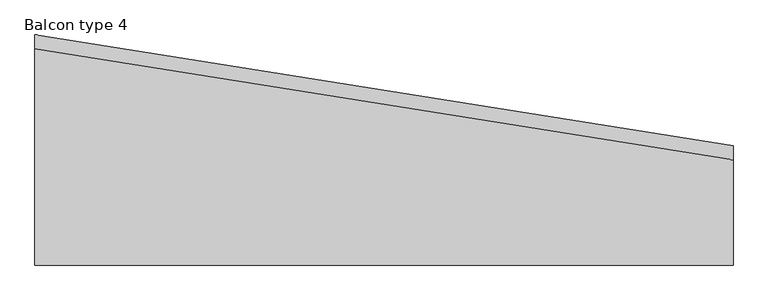
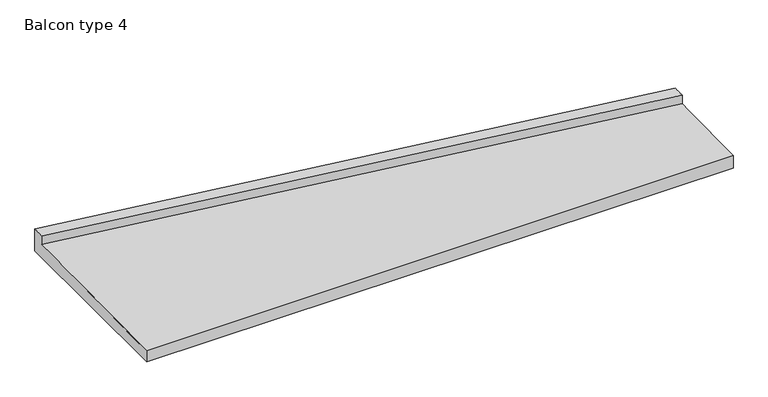
"""IFC4 building model written with IfcOpenShell, lengths in millimetres: proxy geometry, Balcon type 4."""

import ifcopenshell
import ifcopenshell.guid

model = None  # the IFC model being written
_history = None  # IfcOwnerHistory: only IFC2X3 demands one
_inside = {}  # id of a spatial element -> (the spatial element, [elements in it])
_under = {}  # id of a project, library or spatial element -> (it, [spatial elements below it])
_declared = {}  # id of a project -> (the project, [libraries it declares])
_typed = {}  # id of a type object -> (the type object, [elements of that type])
_made_of = {}  # id of a material, layer set ... -> (it, [elements and type objects made of it])


def new_model(schema):
    """Start an empty IFC model of exactly this schema.

    Asked for "IFC4X3", IfcOpenShell would pick the latest addendum, in which some entities
    have other attributes; the version numbers below select the first issue.
    IFC2X3 requires an IfcOwnerHistory on every rooted entity: one is made here for all.
    """
    global model, _history
    if schema == "IFC4X3":
        model = ifcopenshell.file(schema_version=(4, 3, 0, 0))
    else:
        model = ifcopenshell.file(schema=schema)
    _inside.clear()
    _under.clear()
    _declared.clear()
    _typed.clear()
    _made_of.clear()
    _history = None
    if model.schema == "IFC2X3":
        org = make("IfcOrganization", Name="unknown")
        user = make(
            "IfcPersonAndOrganization",
            ThePerson=make("IfcPerson", FamilyName="unknown"),
            TheOrganization=org,
        )
        app = make(
            "IfcApplication",
            ApplicationDeveloper=org,
            Version="unknown",
            ApplicationFullName="unknown",
            ApplicationIdentifier="unknown",
        )
        _history = make(
            "IfcOwnerHistory",
            OwningUser=user,
            OwningApplication=app,
            ChangeAction="ADDED",
            CreationDate=0,
        )
    return model


def make(cls, **values):
    """One entity of the class cls with the attributes given. An attribute that is None is left unset."""
    return model.create_entity(
        cls, **{name: value for name, value in values.items() if value is not None}
    )


def rooted(cls, **values):
    """An entity with a GlobalId (a new one), such as an element, a storey or a relation."""
    return make(cls, GlobalId=ifcopenshell.guid.new(), OwnerHistory=_history, **values)


def si_unit(unit_type, name, prefix=None):
    """IfcSIUnit, for example si_unit("LENGTHUNIT", "METRE", prefix="MILLI")."""
    return make("IfcSIUnit", UnitType=unit_type, Prefix=prefix, Name=name)


def assignment(units):
    """IfcUnitAssignment: the units of a project."""
    return None if units is None else make("IfcUnitAssignment", Units=units)


def point(xyz):
    """IfcCartesianPoint."""
    return None if xyz is None else make("IfcCartesianPoint", Coordinates=xyz)


def direction(xyz):
    """IfcDirection."""
    return None if xyz is None else make("IfcDirection", DirectionRatios=xyz)


def frame(location, z_axis=None, x_axis=None):
    """IfcAxis2Placement3D, a coordinate frame: its origin and axes. An axis left out is left unset."""
    return make(
        "IfcAxis2Placement3D",
        Location=point(location),
        Axis=direction(z_axis),
        RefDirection=direction(x_axis),
    )


def origin():
    """The frame at (0, 0, 0) with its axes left unset."""
    return frame((0.0, 0.0, 0.0))


def place(relative_to, where):
    """IfcLocalPlacement: puts the frame where relative to a parent placement (None: the world)."""
    return make(
        "IfcLocalPlacement", PlacementRelTo=relative_to, RelativePlacement=where
    )


def context(
    kind, dimensions, precision=None, world=None, true_north=None, identifier=None
):
    """IfcGeometricRepresentationContext, for example the 3D "Model" context."""
    return make(
        "IfcGeometricRepresentationContext",
        ContextIdentifier=identifier,
        ContextType=kind,
        CoordinateSpaceDimension=dimensions,
        Precision=precision,
        WorldCoordinateSystem=world,
        TrueNorth=true_north,
    )


def project(units=None, contexts=None):
    """IfcProject with its units and contexts."""
    return rooted(
        "IfcProject",
        Name="project",
        RepresentationContexts=contexts,
        UnitsInContext=assignment(units),
    )


def spatial(cls, under=None, at=None, **own):
    """A site, building, storey or space (cls), placed at a placement, below another one or the project."""
    s = rooted(cls, ObjectPlacement=at, **own)
    if under is not None:
        _under.setdefault(under.id(), (under, []))[1].append(s)
    return s


def shape(context_of_items, identifier, shape_type, items):
    """IfcShapeRepresentation: the items that make up one representation, for example the "Body"."""
    return make(
        "IfcShapeRepresentation",
        ContextOfItems=context_of_items,
        RepresentationIdentifier=identifier,
        RepresentationType=shape_type,
        Items=items,
    )


def source(mapping_origin, context_of_items, identifier, shape_type, items):
    """IfcRepresentationMap: a shape defined once, which mapped items show again and again."""
    return make(
        "IfcRepresentationMap",
        MappingOrigin=mapping_origin,
        MappedRepresentation=shape(context_of_items, identifier, shape_type, items),
    )


def transform(
    local_origin,
    x_axis=None,
    y_axis=None,
    z_axis=None,
    scale=None,
    scale2=None,
    scale3=None,
    uniform=True,
):
    """IfcCartesianTransformationOperator3D, or its non-uniform kind. x_axis, y_axis, z_axis: its Axis1, 2, 3."""
    if uniform:
        return make(
            "IfcCartesianTransformationOperator3D",
            Axis1=direction(x_axis),
            Axis2=direction(y_axis),
            LocalOrigin=point(local_origin),
            Scale=scale,
            Axis3=direction(z_axis),
        )
    return make(
        "IfcCartesianTransformationOperator3DnonUniform",
        Axis1=direction(x_axis),
        Axis2=direction(y_axis),
        LocalOrigin=point(local_origin),
        Scale=scale,
        Axis3=direction(z_axis),
        Scale2=scale2,
        Scale3=scale3,
    )


def mapped(mapping_source, mapping_target):
    """IfcMappedItem: shows the shape of a source again, moved by a transform."""
    return make(
        "IfcMappedItem", MappingSource=mapping_source, MappingTarget=mapping_target
    )


def made_of(thing, what):
    """Note that an element or type object is made of a material, layer set ...; save() writes the relation."""
    if what is not None:
        _made_of.setdefault(what.id(), (what, []))[1].append(thing)
    return thing


def element(
    cls,
    number,
    at=None,
    inside=None,
    cuts=None,
    type_object=None,
    material=None,
    context=None,
    identifier="Body",
    shape_type=None,
    held_by="IfcProductDefinitionShape",
    body=None,
    shapes=None,
    **own,
):
    """One element of the class cls, such as IfcWall. Its Tag is "e" and its number.

    at: its placement. inside: the storey or other place that contains it. cuts: it is an
    opening in that element (IfcRelVoidsElement). A single representation is given by context,
    identifier, shape_type and body (its items); several are given by shapes. held_by: the class
    of the entity that holds the representations. save() writes the other relations.
    """
    e = rooted(cls, Tag="e%d" % number, ObjectPlacement=at, **own)
    if body is not None:
        shapes = [shape(context, identifier, shape_type, body)]
    if shapes is not None:
        e.Representation = make(held_by, Representations=shapes)
    if inside is not None:
        _inside.setdefault(inside.id(), (inside, []))[1].append(e)
    if cuts is not None:
        rooted(
            "IfcRelVoidsElement", RelatingBuildingElement=cuts, RelatedOpeningElement=e
        )
    if type_object is not None:
        _typed.setdefault(type_object.id(), (type_object, []))[1].append(e)
    return made_of(e, material)


def aggregate(whole, parts):
    """IfcRelAggregates: a whole, such as a stair, and the parts it consists of."""
    return rooted("IfcRelAggregates", RelatingObject=whole, RelatedObjects=parts)


def save(model, path):
    """Write the relations noted so far, then the file.

    IfcRelAggregates (storeys below a building ...), IfcRelContainedInSpatialStructure (elements
    in a storey), IfcRelDefinesByType, IfcRelAssociatesMaterial and IfcRelDeclares: one each for
    every whole, place, type object, material and project.
    """
    for whole, parts in _under.values():
        aggregate(whole, parts)
    for where, things in _inside.values():
        rooted(
            "IfcRelContainedInSpatialStructure",
            RelatedElements=things,
            RelatingStructure=where,
        )
    for kind, things in _typed.values():
        rooted("IfcRelDefinesByType", RelatedObjects=things, RelatingType=kind)
    for what, things in _made_of.values():
        rooted("IfcRelAssociatesMaterial", RelatedObjects=things, RelatingMaterial=what)
    for by, libraries in _declared.values():
        rooted("IfcRelDeclares", RelatingContext=by, RelatedDefinitions=libraries)
    model.write(path)


def plane_surface(at):
    """IfcPlane: the flat surface through the origin of the frame at, square to its z axis."""
    return make("IfcPlane", Position=at)


def spline_surface(u_degree, v_degree, points, u_multiplicities, v_multiplicities, u_knots, v_knots, weights=None):
    """IfcBSplineSurfaceWithKnots; with weights, IfcRationalBSplineSurfaceWithKnots. points: one row for each step in u."""
    own = dict(
        UDegree=u_degree,
        VDegree=v_degree,
        ControlPointsList=[[point(p) for p in row] for row in points],
        SurfaceForm="UNSPECIFIED",
        UClosed=False,
        VClosed=False,
        SelfIntersect=False,
        UMultiplicities=u_multiplicities,
        VMultiplicities=v_multiplicities,
        UKnots=u_knots,
        VKnots=v_knots,
        KnotSpec="UNSPECIFIED",
    )
    if weights is None:
        return make("IfcBSplineSurfaceWithKnots", **own)
    return make("IfcRationalBSplineSurfaceWithKnots", WeightsData=weights, **own)


def advanced_brep(points, edges, surfaces, faces):
    """IfcAdvancedBrep: a solid bounded by faces that lie on surfaces and meet in shared edges.

    An edge is (start, end): straight between two places in points (the first is 0);
    or (start, end, curve); or (start, end, curve, False) where it runs against its curve.
    A face is (place in surfaces, loops), or (place, loops, False) where it looks against
    its surface's normal. A loop lists edges by number (the first is 1), with a minus sign
    where the edge is run from its end to its start. The first loop is the outer one.
    """
    corners = [point(p) for p in points]
    vertices = [make("IfcVertexPoint", VertexGeometry=c) for c in corners]
    made = []
    for start, end, *more in edges:
        made.append(
            make(
                "IfcEdgeCurve",
                EdgeStart=vertices[start],
                EdgeEnd=vertices[end],
                EdgeGeometry=more[0] if more else make("IfcPolyline", Points=[corners[start], corners[end]]),
                SameSense=more[1] if len(more) > 1 else True,
            )
        )
    hull = []
    for where, loops, *sense in faces:
        bounds = []
        for j, loop in enumerate(loops):
            ring = [make("IfcOrientedEdge", EdgeElement=made[abs(k) - 1], Orientation=k > 0) for k in loop]
            bounds.append(
                make(
                    "IfcFaceOuterBound" if j == 0 else "IfcFaceBound",
                    Bound=make("IfcEdgeLoop", EdgeList=ring),
                    Orientation=True,
                )
            )
        hull.append(make("IfcAdvancedFace", Bounds=bounds, FaceSurface=surfaces[where], SameSense=sense[0] if sense else True))
    return make("IfcAdvancedBrep", Outer=make("IfcClosedShell", CfsFaces=hull))


def balcon_type_4_037f1926(model_context):
    return source(origin(), model_context, "Body", "AdvancedBrep", [
        advanced_brep(
        [(8955.0, 1529.3, 0.0), (8955.0, 1529.3, 360.0), (8955.0, 1349.3, 356.9844095), (8955.0, 1349.3, 219.6652015), (8955.0, 0.0, 197.06), (8955.0, 0.0, 0.0), (0.0, 2951.2, 0.0), (0.0, 0.0, 0.0), (0.0, 0.0, 175.7310351), (0.0, 2771.2, 219.984554), (0.0, 2771.2, 357.2999411), (0.0, 2951.2, 360.0)],
        [
            (0, 1),
            (1, 2),
            (2, 3),
            (3, 4),
            (4, 5),
            (5, 0),
            (6, 7),
            (7, 8),
            (8, 9),
            (9, 10),
            (10, 11),
            (11, 6),
            (11, 1),
            (0, 6),
            (10, 2),
            (9, 3),
            (8, 4),
            (7, 5),
        ],
        [
            plane_surface(frame((8955.0, 959.5333333, 188.9516018), z_axis=(1.0, 0.0, 0.0), x_axis=(0.0, 0.0, 1.0))),
            plane_surface(frame((0.0, 1907.4666667, 185.5025884), z_axis=(-1.0, 0.0, 0.0), x_axis=(0.0, 0.0, 1.0))),
            plane_surface(frame((0.0, 2951.2, 180.0), z_axis=(0.15681825904692542, 0.9876274771539578, 0.0), x_axis=(0.0, 0.0, 1.0))),
            spline_surface(1, 1, [[(0.0, 2951.2, 360.0), (8955.0, 1529.3, 360.0)], [(0.0, 2771.2, 357.2999411), (8955.0, 1349.3, 356.9844095)]], [2, 2], [2, 2], [0.0, 1.0], [0.0, 1.0]),
            plane_surface(frame((0.0, 2771.2, 288.6422476), z_axis=(-0.15681825904692542, -0.9876274771539578, 0.0), x_axis=(0.0, 0.0, -1.0))),
            spline_surface(1, 1, [[(0.0, 2771.2, 219.984554), (8955.0, 1349.3, 219.6652015)], [(0.0, 0.0, 175.7310351), (8955.0, 0.0, 197.06)]], [2, 2], [2, 2], [0.0, 1.0], [0.0, 1.0]),
            plane_surface(frame((0.0, 0.0, 87.8655176), z_axis=(0.0, -1.0, 0.0), x_axis=(0.0, 0.0, -1.0))),
            plane_surface(frame((0.0, 1475.6, 0.0), z_axis=(0.0, 0.0, -1.0), x_axis=(0.0, 1.0, 0.0))),
        ],
        [
            (0, [[1, 2, 3, 4, 5, 6]]),
            (1, [[7, 8, 9, 10, 11, 12]]),
            (2, [[-12, 13, -1, 14]]),
            (3, [[-11, 15, -2, -13]]),
            (4, [[-10, 16, -3, -15]]),
            (5, [[-9, 17, -4, -16]]),
            (6, [[-8, 18, -5, -17]]),
            (7, [[-7, -14, -6, -18]]),
        ],
    ),
    ])


if __name__ == "__main__":
    model = new_model("IFC4")
    model_context = context("Model", 3, world=origin())
    ifc_project = project(units=[si_unit("LENGTHUNIT", "METRE", prefix="MILLI")], contexts=[model_context])
    site = spatial("IfcSite", under=ifc_project)
    building = spatial("IfcBuilding", under=site)
    placement = place(None, origin())
    balcon_type_4_shape = balcon_type_4_037f1926(model_context)
    element("IfcBuildingElementProxy", 1, Name="Balcon type 4", ObjectType="Balcon type 4", at=placement, inside=building, context=model_context, shape_type="MappedRepresentation", body=[
        mapped(balcon_type_4_shape, transform((0.0, 0.0, 0.0), x_axis=(1.0, 0.0, 0.0), y_axis=(0.0, 1.0, 0.0), z_axis=(0.0, 0.0, 1.0))),
    ])
    save(model, "model.ifc")
